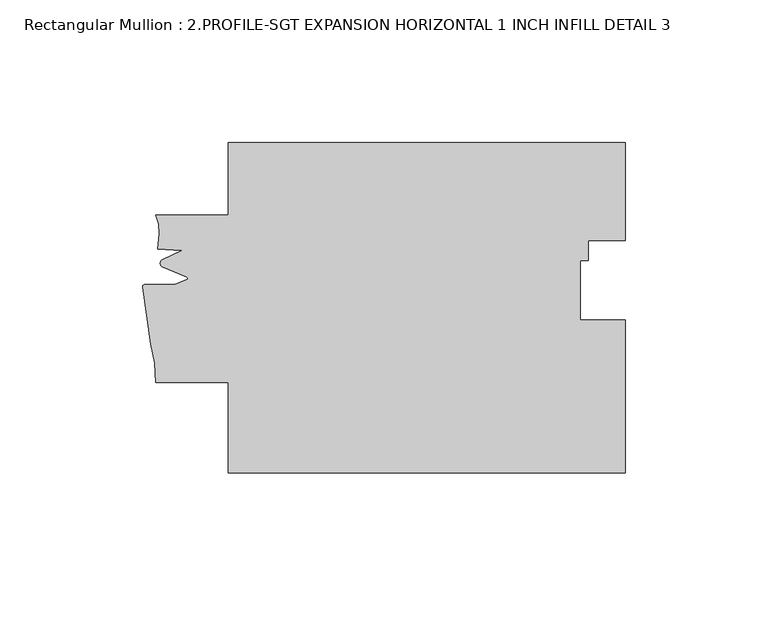
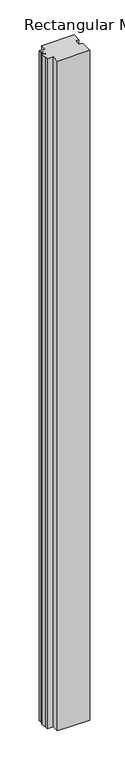
"""IFC4 building model written with IfcOpenShell, lengths in millimetres: member geometry, Rectangular Mullion : 2.PROFILE-SGT EXPANSION HORIZONTAL 1 INCH INFILL DETAIL 3."""

from ifc_helpers import new_model, si_unit, frame, origin, place, context, project, spatial, polyline, circle_curve, source, transform, mapped, element, save
from ifc_brep_helpers import plane_surface, cylinder_surface, revolved_surface, advanced_brep


def rectangular_mullion_2_profile_sgt_expansion_horizontal_1_af95deb2(model_context):
    return source(origin(), model_context, "Body", "AdvancedBrep", [
        advanced_brep(
        [(-139.1915475, -64.0883724, 0.0), (0.0, -64.0883724, 0.0), (0.0, -10.4733265, 0.0), (-15.8984045, -10.4733265, 0.0), (-15.8984045, 10.4733265, 0.0), (-13.0437992, 10.4733265, 0.0), (-13.0437992, 17.3313262, 0.0), (0.0, 17.3313262, 0.0), (0.0, 51.8224371, 0.0), (-139.1915475, 51.8224371, 0.0), (-139.1920646, 26.4225504, 0.0), (-164.592, 26.4225504, 0.0), (-163.8364338, 16.2842023, 0.0), (-163.9459282, 14.5154415, 0.0), (-155.5466089, 13.9498988, 0.0), (-162.2406564, 10.7773128, 0.0), (-162.2406564, 8.2004137, 0.0), (-153.8240889, 4.5290624, 0.0), (-153.8240889, 3.7806642, 0.0), (-158.0151742, 1.9524905, 0.0), (-168.5054594, 1.9524905, 0.0), (-169.2489629, 1.0236177, 0.0), (-166.4079632, -18.9558002, 0.0), (-164.592, -32.3384856, 0.0), (-139.1921939, -32.3384856, 0.0), (-139.1915475, -64.0883724, -3048.0), (-139.1921939, -32.3384856, -3048.0), (-164.592, -32.3384856, -3048.0), (-166.4079632, -18.9558002, -3048.0), (-169.2487771, 1.0227919, -3048.0), (-168.5054594, 1.9524905, -3048.0), (-158.0151742, 1.9524905, -3048.0), (-153.8240889, 3.7806642, -3048.0), (-153.8240889, 4.5290624, -3048.0), (-162.2406564, 8.2004137, -3048.0), (-162.2406564, 10.7773128, -3048.0), (-155.5466089, 13.9498988, -3048.0), (-163.9459282, 14.5154415, -3048.0), (-163.8364338, 16.2842023, -3048.0), (-164.592, 26.4225504, -3048.0), (-139.1920646, 26.4225504, -3048.0), (-139.1915475, 51.8224371, -3048.0), (0.0, 51.8224371, -3048.0), (0.0, 17.3313262, -3048.0), (-13.0437992, 17.3313262, -3048.0), (-13.0437992, 10.4733265, -3048.0), (-15.8984045, 10.4733265, -3048.0), (-15.8984045, -10.4733265, -3048.0), (0.0, -10.4733265, -3048.0), (0.0, -64.0883724, -3048.0)],
        [
            (0, 1),
            (1, 2),
            (2, 3),
            (3, 4),
            (4, 5),
            (5, 6),
            (6, 7),
            (7, 8),
            (8, 9),
            (9, 10),
            (10, 11),
            (11, 12, circle_curve(frame((-180.1250799, 20.1676101, 0.0), z_axis=(0.0, 0.0, -1.0), x_axis=(1.0, 0.0, 0.0)), 16.7451739)),
            (12, 13),
            (13, 14),
            (14, 15),
            (15, 16, circle_curve(frame((-161.7007428, 9.4888633, 0.0), z_axis=(0.0, 0.0, 1.0), x_axis=(-0.3864807934662262, -0.922297455424071, 0.0)), 1.397)),
            (16, 17),
            (17, 18, circle_curve(frame((-153.7524228, 4.1548633, 0.0), z_axis=(0.0, 0.0, -1.0), x_axis=(-0.1880999300254437, -0.9821498950386459, 0.0)), 0.381)),
            (18, 19),
            (19, 20),
            (20, 21, circle_curve(frame((-168.5054594, 1.1904905, 0.0), z_axis=(0.0, 0.0, 1.0), x_axis=(0.0, 1.0, 0.0)), 0.762)),
            (21, 22, circle_curve(frame((-293.167727, -26.7888704, 0.0), z_axis=(0.0, 0.0, -1.0), x_axis=(0.9757278240361872, 0.21898678818962455, 0.0)), 127.0015539)),
            (22, 23, circle_curve(frame((-208.5757855, -31.4923132, 0.0), z_axis=(0.0, 0.0, -1.0), x_axis=(1.0, 0.0, 0.0)), 43.9919242)),
            (23, 24),
            (24, 0),
            (25, 26),
            (26, 27),
            (27, 28, circle_curve(frame((-208.5757855, -31.4923132, -3048.0), z_axis=(0.0, 0.0, 1.0), x_axis=(1.0, 0.0, 0.0)), 43.9919242)),
            (28, 29, circle_curve(frame((-293.167727, -26.7888704, -3048.0), z_axis=(0.0, 0.0, 1.0), x_axis=(0.9757278240361872, 0.21898678818962455, 0.0)), 127.0015539)),
            (29, 30, circle_curve(frame((-168.5054594, 1.1904905, -3048.0), z_axis=(0.0, 0.0, -1.0), x_axis=(0.0, 1.0, 0.0)), 0.762)),
            (30, 31),
            (31, 32),
            (32, 33, circle_curve(frame((-153.7524228, 4.1548633, -3048.0), z_axis=(0.0, 0.0, 1.0), x_axis=(-0.1880999300254437, -0.9821498950386459, 0.0)), 0.381)),
            (33, 34),
            (34, 35, circle_curve(frame((-161.7007428, 9.4888633, -3048.0), z_axis=(0.0, 0.0, -1.0), x_axis=(-0.3864807934662262, -0.922297455424071, 0.0)), 1.397)),
            (35, 36),
            (36, 37),
            (37, 38),
            (38, 39, circle_curve(frame((-180.1250799, 20.1676101, -3048.0), z_axis=(0.0, 0.0, 1.0), x_axis=(1.0, 0.0, 0.0)), 16.7451739)),
            (39, 40),
            (40, 41),
            (41, 42),
            (42, 43),
            (43, 44),
            (44, 45),
            (45, 46),
            (46, 47),
            (47, 48),
            (48, 49),
            (49, 25),
            (0, 25),
            (49, 1),
            (48, 2),
            (47, 3),
            (46, 4),
            (45, 5),
            (44, 6),
            (43, 7),
            (42, 8),
            (41, 9),
            (40, 10),
            (39, 11),
            (38, 12),
            (37, 13),
            (36, 14),
            (35, 15),
            (34, 16),
            (33, 17),
            (32, 18),
            (31, 19),
            (30, 20),
            (29, 21),
            (28, 22),
            (27, 23),
            (26, 24),
        ],
        [
            plane_surface(frame((0.0, -169.2520583, 0.0), z_axis=(0.0, 0.0, 1.0), x_axis=(-1.0, 0.0, 0.0))),
            plane_surface(frame((0.0, -169.2520583, -3048.0), z_axis=(0.0, 0.0, -1.0), x_axis=(-1.0, 0.0, 0.0))),
            plane_surface(frame((-139.1915475, -64.0883724, 0.0), z_axis=(0.0, -1.0, 0.0), x_axis=(0.0, 0.0, -1.0))),
            plane_surface(frame((0.0, -64.0883724, 0.0), z_axis=(1.0, 0.0, 0.0), x_axis=(0.0, 0.0, -1.0))),
            plane_surface(frame((0.0, -10.4733265, 0.0), z_axis=(0.0, 1.0, 0.0), x_axis=(0.0, 0.0, -1.0))),
            plane_surface(frame((-15.8984045, -10.4733265, 0.0), z_axis=(1.0, 0.0, 0.0), x_axis=(0.0, 0.0, -1.0))),
            plane_surface(frame((-15.8984045, 10.4733265, 0.0), z_axis=(0.0, -1.0, 0.0), x_axis=(0.0, 0.0, -1.0))),
            plane_surface(frame((-13.0437992, 10.4733265, 0.0), z_axis=(1.0, 0.0, 0.0), x_axis=(0.0, 0.0, -1.0))),
            plane_surface(frame((-13.0437992, 17.3313262, 0.0), z_axis=(0.0, -1.0, 0.0), x_axis=(0.0, 0.0, -1.0))),
            plane_surface(frame((0.0, 17.3313262, 0.0), z_axis=(1.0, 0.0, 0.0), x_axis=(0.0, 0.0, -1.0))),
            plane_surface(frame((0.0, 51.8224371, 0.0), z_axis=(0.0, 1.0, 0.0), x_axis=(0.0, 0.0, -1.0))),
            plane_surface(frame((-139.1915475, 51.8224371, 0.0), z_axis=(-0.9999999997927215, 2.0360673607664156e-05, 0.0), x_axis=(0.0, 0.0, -1.0))),
            plane_surface(frame((-139.1920646, 26.4225504, 0.0), z_axis=(0.0, 1.0, 0.0), x_axis=(0.0, 0.0, -1.0))),
            revolved_surface(polyline([(-163.379906, 20.1676101, -3048.0), (-163.379906, 20.1676101, 0.0)]), (-180.1250799, 20.1676101, 0.0), (0.0, 0.0, -1.0)),
            plane_surface(frame((-163.8364338, 16.2842023, 0.0), z_axis=(-0.9980893996628607, 0.06178632761890303, 0.0), x_axis=(0.0, 0.0, -1.0))),
            plane_surface(frame((-163.9459282, 14.5154415, 0.0), z_axis=(-0.06717985631159368, -0.9977408816451061, 0.0), x_axis=(0.0, 0.0, -1.0))),
            plane_surface(frame((-155.5466089, 13.9498988, 0.0), z_axis=(-0.4282761223710524, 0.9036479198265304, 0.0), x_axis=(0.0, 0.0, -1.0))),
            cylinder_surface(frame((-161.7007428, 9.4888633, 0.0), z_axis=(0.0, 0.0, 1.0), x_axis=(-0.3864807934662262, -0.922297455424071, 0.0)), 1.397),
            plane_surface(frame((-162.2406564, 8.2004137, 0.0), z_axis=(-0.3998225337641261, -0.9165925711538548, 0.0), x_axis=(0.0, 0.0, -1.0))),
            revolved_surface(polyline([(-153.8240888733397, 3.7806641899902758, -3048.0), (-153.8240888733397, 3.7806641899902758, 0.0)]), (-153.7524228, 4.1548633, 0.0), (0.0, 0.0, -1.0)),
            plane_surface(frame((-153.8240889, 3.7806642, 0.0), z_axis=(-0.3998225337640899, 0.9165925711538706, 0.0), x_axis=(0.0, 0.0, -1.0))),
            plane_surface(frame((-158.0151742, 1.9524905, 0.0), z_axis=(0.0, 1.0, 0.0), x_axis=(0.0, 0.0, -1.0))),
            cylinder_surface(frame((-168.5054594, 1.1904905, 0.0), z_axis=(0.0, 0.0, 1.0), x_axis=(0.0, 1.0, 0.0)), 0.762),
            revolved_surface(polyline([(-169.24877716393848, 1.0227919836524855, -3048.000000000001), (-169.24877716393848, 1.0227919836524855, 0.0)]), (-293.167727, -26.7888704, 0.0), (0.0, 0.0, -1.0000000000000002)),
            revolved_surface(polyline([(-164.5838613, -31.4923132, -3048.0), (-164.5838613, -31.4923132, 0.0)]), (-208.5757855, -31.4923132, 0.0), (0.0, 0.0, -1.0)),
            plane_surface(frame((-164.592, -32.3384856, 0.0), z_axis=(0.0, -1.0, 0.0), x_axis=(0.0, 0.0, -1.0))),
            plane_surface(frame((-139.1921939, -32.3384856, 0.0), z_axis=(-0.9999999997927215, -2.0360673597804103e-05, 0.0), x_axis=(0.0, 0.0, -1.0))),
        ],
        [
            (0, [[1, 2, 3, 4, 5, 6, 7, 8, 9, 10, 11, 12, 13, 14, 15, 16, 17, 18, 19, 20, 21, 22, 23, 24, 25]]),
            (1, [[26, 27, 28, 29, 30, 31, 32, 33, 34, 35, 36, 37, 38, 39, 40, 41, 42, 43, 44, 45, 46, 47, 48, 49, 50]]),
            (2, [[-1, 51, -50, 52]]),
            (3, [[-2, -52, -49, 53]]),
            (4, [[-3, -53, -48, 54]]),
            (5, [[-4, -54, -47, 55]]),
            (6, [[-5, -55, -46, 56]]),
            (7, [[-6, -56, -45, 57]]),
            (8, [[-7, -57, -44, 58]]),
            (9, [[-8, -58, -43, 59]]),
            (10, [[-9, -59, -42, 60]]),
            (11, [[-10, -60, -41, 61]]),
            (12, [[-11, -61, -40, 62]]),
            (13, [[-12, -62, -39, 63]]),
            (14, [[-13, -63, -38, 64]]),
            (15, [[-14, -64, -37, 65]]),
            (16, [[-15, -65, -36, 66]]),
            (17, [[-16, -66, -35, 67]]),
            (18, [[-17, -67, -34, 68]]),
            (19, [[-18, -68, -33, 69]]),
            (20, [[-19, -69, -32, 70]]),
            (21, [[-20, -70, -31, 71]]),
            (22, [[-21, -71, -30, 72]]),
            (23, [[-22, -72, -29, 73]]),
            (24, [[-23, -73, -28, 74]]),
            (25, [[-24, -74, -27, 75]]),
            (26, [[-25, -75, -26, -51]]),
        ],
    ),
    ])


if __name__ == "__main__":
    model = new_model("IFC4")
    model_context = context("Model", 3, world=origin())
    ifc_project = project(units=[si_unit("LENGTHUNIT", "METRE", prefix="MILLI")], contexts=[model_context])
    site = spatial("IfcSite", under=ifc_project)
    building = spatial("IfcBuilding", under=site)
    placement = place(None, origin())
    rectangular_mullion_2_profile_sgt_expansion_horizontal_1_shape = rectangular_mullion_2_profile_sgt_expansion_horizontal_1_af95deb2(model_context)
    element("IfcMember", 1, ObjectType="Rectangular Mullion : 2.PROFILE-SGT EXPANSION HORIZONTAL 1 INCH INFILL DETAIL 3", at=placement, inside=building, context=model_context, shape_type="MappedRepresentation", body=[
        mapped(rectangular_mullion_2_profile_sgt_expansion_horizontal_1_shape, transform((0.0, 0.0, 0.0), x_axis=(1.0, 0.0, 0.0), y_axis=(0.0, 1.0, 0.0), z_axis=(0.0, 0.0, 1.0))),
    ])
    save(model, "model.ifc")
